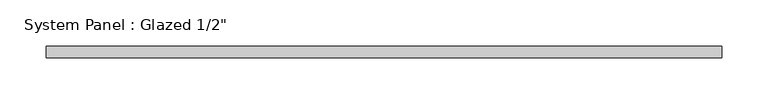
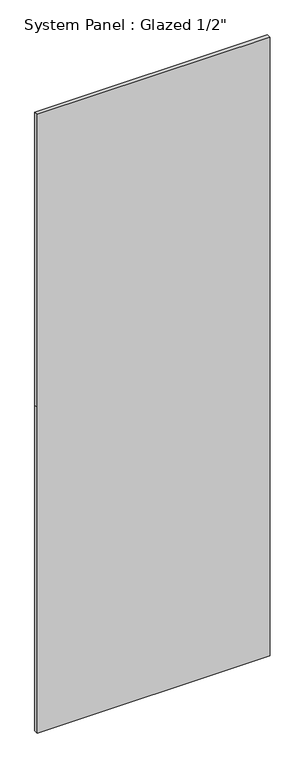
"""IFC4 building model written with IfcOpenShell, lengths in millimetres: plate geometry."""

from ifc_helpers import new_model, si_unit, frame, origin, place, context, project, spatial, polyline, outline, extrude, source, transform, mapped, element, save


def plate_90572a3d(model_context):
    return source(origin(), model_context, "Body", "SweptSolid", [
        extrude(outline(polyline([(0.0, -365.125), (0.0, 365.125), (1079.5, 365.125), (2051.05, 365.125), (2051.05, -365.125), (1079.5, -365.125), (0.0, -365.125)])), frame((0.0, -6.35, 0.0), z_axis=(0.0, 1.0, 0.0), x_axis=(0.0, 0.0, 1.0)), (0.0, 0.0, 1.0), 12.7),
    ])


if __name__ == "__main__":
    model = new_model("IFC4")
    model_context = context("Model", 3, world=origin())
    ifc_project = project(units=[si_unit("LENGTHUNIT", "METRE", prefix="MILLI")], contexts=[model_context])
    site = spatial("IfcSite", under=ifc_project)
    building = spatial("IfcBuilding", under=site)
    placement = place(None, origin())
    plate_shape = plate_90572a3d(model_context)
    element("IfcPlate", 1, ObjectType="System Panel : Glazed 1/2\"", at=placement, inside=building, context=model_context, shape_type="MappedRepresentation", body=[
        mapped(plate_shape, transform((0.0, 0.0, 0.0), x_axis=(1.0, 0.0, 0.0), y_axis=(0.0, 1.0, 0.0), z_axis=(0.0, 0.0, 1.0))),
    ])
    save(model, "model.ifc")
